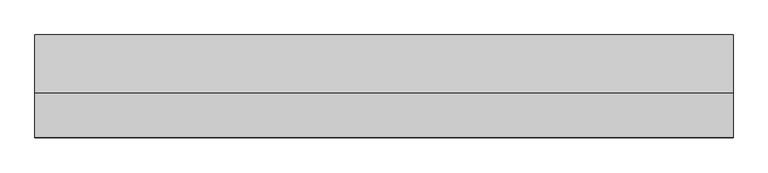
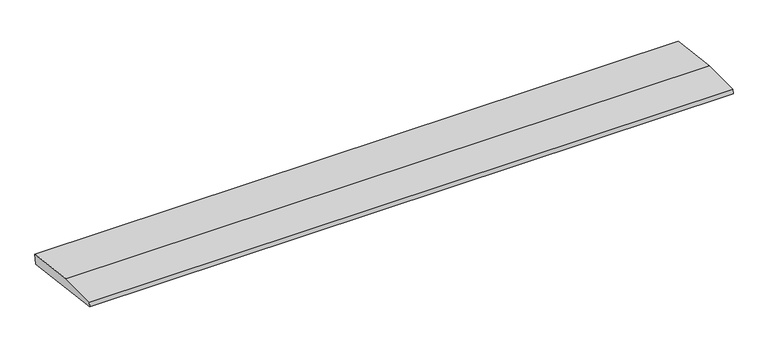
"""IFC4 building model written with IfcOpenShell, lengths in millimetres: beam geometry."""

import ifcopenshell
import ifcopenshell.guid

model = None  # the IFC model being written
_history = None  # IfcOwnerHistory: only IFC2X3 demands one
_inside = {}  # id of a spatial element -> (the spatial element, [elements in it])
_under = {}  # id of a project, library or spatial element -> (it, [spatial elements below it])
_declared = {}  # id of a project -> (the project, [libraries it declares])
_typed = {}  # id of a type object -> (the type object, [elements of that type])
_made_of = {}  # id of a material, layer set ... -> (it, [elements and type objects made of it])


def new_model(schema):
    """Start an empty IFC model of exactly this schema.

    Asked for "IFC4X3", IfcOpenShell would pick the latest addendum, in which some entities
    have other attributes; the version numbers below select the first issue.
    IFC2X3 requires an IfcOwnerHistory on every rooted entity: one is made here for all.
    """
    global model, _history
    if schema == "IFC4X3":
        model = ifcopenshell.file(schema_version=(4, 3, 0, 0))
    else:
        model = ifcopenshell.file(schema=schema)
    _inside.clear()
    _under.clear()
    _declared.clear()
    _typed.clear()
    _made_of.clear()
    _history = None
    if model.schema == "IFC2X3":
        org = make("IfcOrganization", Name="unknown")
        user = make(
            "IfcPersonAndOrganization",
            ThePerson=make("IfcPerson", FamilyName="unknown"),
            TheOrganization=org,
        )
        app = make(
            "IfcApplication",
            ApplicationDeveloper=org,
            Version="unknown",
            ApplicationFullName="unknown",
            ApplicationIdentifier="unknown",
        )
        _history = make(
            "IfcOwnerHistory",
            OwningUser=user,
            OwningApplication=app,
            ChangeAction="ADDED",
            CreationDate=0,
        )
    return model


def make(cls, **values):
    """One entity of the class cls with the attributes given. An attribute that is None is left unset."""
    return model.create_entity(
        cls, **{name: value for name, value in values.items() if value is not None}
    )


def rooted(cls, **values):
    """An entity with a GlobalId (a new one), such as an element, a storey or a relation."""
    return make(cls, GlobalId=ifcopenshell.guid.new(), OwnerHistory=_history, **values)


def si_unit(unit_type, name, prefix=None):
    """IfcSIUnit, for example si_unit("LENGTHUNIT", "METRE", prefix="MILLI")."""
    return make("IfcSIUnit", UnitType=unit_type, Prefix=prefix, Name=name)


def assignment(units):
    """IfcUnitAssignment: the units of a project."""
    return None if units is None else make("IfcUnitAssignment", Units=units)


def point(xyz):
    """IfcCartesianPoint."""
    return None if xyz is None else make("IfcCartesianPoint", Coordinates=xyz)


def direction(xyz):
    """IfcDirection."""
    return None if xyz is None else make("IfcDirection", DirectionRatios=xyz)


def frame(location, z_axis=None, x_axis=None):
    """IfcAxis2Placement3D, a coordinate frame: its origin and axes. An axis left out is left unset."""
    return make(
        "IfcAxis2Placement3D",
        Location=point(location),
        Axis=direction(z_axis),
        RefDirection=direction(x_axis),
    )


def origin():
    """The frame at (0, 0, 0) with its axes left unset."""
    return frame((0.0, 0.0, 0.0))


def place(relative_to, where):
    """IfcLocalPlacement: puts the frame where relative to a parent placement (None: the world)."""
    return make(
        "IfcLocalPlacement", PlacementRelTo=relative_to, RelativePlacement=where
    )


def context(
    kind, dimensions, precision=None, world=None, true_north=None, identifier=None
):
    """IfcGeometricRepresentationContext, for example the 3D "Model" context."""
    return make(
        "IfcGeometricRepresentationContext",
        ContextIdentifier=identifier,
        ContextType=kind,
        CoordinateSpaceDimension=dimensions,
        Precision=precision,
        WorldCoordinateSystem=world,
        TrueNorth=true_north,
    )


def project(units=None, contexts=None):
    """IfcProject with its units and contexts."""
    return rooted(
        "IfcProject",
        Name="project",
        RepresentationContexts=contexts,
        UnitsInContext=assignment(units),
    )


def spatial(cls, under=None, at=None, **own):
    """A site, building, storey or space (cls), placed at a placement, below another one or the project."""
    s = rooted(cls, ObjectPlacement=at, **own)
    if under is not None:
        _under.setdefault(under.id(), (under, []))[1].append(s)
    return s


def polyline(points):
    """IfcPolyline through the points."""
    return make("IfcPolyline", Points=[point(p) for p in points])


def outline(outer, holes=None, kind="AREA"):
    """IfcArbitraryClosedProfileDef: a profile drawn as a closed curve; with holes, ...WithVoids."""
    if holes is None:
        return make("IfcArbitraryClosedProfileDef", ProfileType=kind, OuterCurve=outer)
    return make(
        "IfcArbitraryProfileDefWithVoids",
        ProfileType=kind,
        OuterCurve=outer,
        InnerCurves=holes,
    )


def extrude(swept, where, along, depth):
    """IfcExtrudedAreaSolid: the profile swept, set in the frame where, extruded along a direction by depth."""
    return make(
        "IfcExtrudedAreaSolid",
        SweptArea=swept,
        Position=where,
        ExtrudedDirection=direction(along),
        Depth=depth,
    )


def shape(context_of_items, identifier, shape_type, items):
    """IfcShapeRepresentation: the items that make up one representation, for example the "Body"."""
    return make(
        "IfcShapeRepresentation",
        ContextOfItems=context_of_items,
        RepresentationIdentifier=identifier,
        RepresentationType=shape_type,
        Items=items,
    )


def source(mapping_origin, context_of_items, identifier, shape_type, items):
    """IfcRepresentationMap: a shape defined once, which mapped items show again and again."""
    return make(
        "IfcRepresentationMap",
        MappingOrigin=mapping_origin,
        MappedRepresentation=shape(context_of_items, identifier, shape_type, items),
    )


def transform(
    local_origin,
    x_axis=None,
    y_axis=None,
    z_axis=None,
    scale=None,
    scale2=None,
    scale3=None,
    uniform=True,
):
    """IfcCartesianTransformationOperator3D, or its non-uniform kind. x_axis, y_axis, z_axis: its Axis1, 2, 3."""
    if uniform:
        return make(
            "IfcCartesianTransformationOperator3D",
            Axis1=direction(x_axis),
            Axis2=direction(y_axis),
            LocalOrigin=point(local_origin),
            Scale=scale,
            Axis3=direction(z_axis),
        )
    return make(
        "IfcCartesianTransformationOperator3DnonUniform",
        Axis1=direction(x_axis),
        Axis2=direction(y_axis),
        LocalOrigin=point(local_origin),
        Scale=scale,
        Axis3=direction(z_axis),
        Scale2=scale2,
        Scale3=scale3,
    )


def mapped(mapping_source, mapping_target):
    """IfcMappedItem: shows the shape of a source again, moved by a transform."""
    return make(
        "IfcMappedItem", MappingSource=mapping_source, MappingTarget=mapping_target
    )


def made_of(thing, what):
    """Note that an element or type object is made of a material, layer set ...; save() writes the relation."""
    if what is not None:
        _made_of.setdefault(what.id(), (what, []))[1].append(thing)
    return thing


def element(
    cls,
    number,
    at=None,
    inside=None,
    cuts=None,
    type_object=None,
    material=None,
    context=None,
    identifier="Body",
    shape_type=None,
    held_by="IfcProductDefinitionShape",
    body=None,
    shapes=None,
    **own,
):
    """One element of the class cls, such as IfcWall. Its Tag is "e" and its number.

    at: its placement. inside: the storey or other place that contains it. cuts: it is an
    opening in that element (IfcRelVoidsElement). A single representation is given by context,
    identifier, shape_type and body (its items); several are given by shapes. held_by: the class
    of the entity that holds the representations. save() writes the other relations.
    """
    e = rooted(cls, Tag="e%d" % number, ObjectPlacement=at, **own)
    if body is not None:
        shapes = [shape(context, identifier, shape_type, body)]
    if shapes is not None:
        e.Representation = make(held_by, Representations=shapes)
    if inside is not None:
        _inside.setdefault(inside.id(), (inside, []))[1].append(e)
    if cuts is not None:
        rooted(
            "IfcRelVoidsElement", RelatingBuildingElement=cuts, RelatedOpeningElement=e
        )
    if type_object is not None:
        _typed.setdefault(type_object.id(), (type_object, []))[1].append(e)
    return made_of(e, material)


def aggregate(whole, parts):
    """IfcRelAggregates: a whole, such as a stair, and the parts it consists of."""
    return rooted("IfcRelAggregates", RelatingObject=whole, RelatedObjects=parts)


def save(model, path):
    """Write the relations noted so far, then the file.

    IfcRelAggregates (storeys below a building ...), IfcRelContainedInSpatialStructure (elements
    in a storey), IfcRelDefinesByType, IfcRelAssociatesMaterial and IfcRelDeclares: one each for
    every whole, place, type object, material and project.
    """
    for whole, parts in _under.values():
        aggregate(whole, parts)
    for where, things in _inside.values():
        rooted(
            "IfcRelContainedInSpatialStructure",
            RelatedElements=things,
            RelatingStructure=where,
        )
    for kind, things in _typed.values():
        rooted("IfcRelDefinesByType", RelatedObjects=things, RelatingType=kind)
    for what, things in _made_of.values():
        rooted("IfcRelAssociatesMaterial", RelatedObjects=things, RelatingMaterial=what)
    for by, libraries in _declared.values():
        rooted("IfcRelDeclares", RelatingContext=by, RelatedDefinitions=libraries)
    model.write(path)


def beam_6d1ce91c(model_context):
    return source(origin(), model_context, "Body", "SweptSolid", [
        extrude(outline(polyline([(0.0, -9.143159), (1.1226388, 0.0), (79.0749747, 0.0), (180.9387048, -12.5072934), (178.6231873, -31.3656703), (0.0, -9.143159)])), frame((-613.2751795, 0.0, 0.0), z_axis=(1.0, 0.0, 0.0), x_axis=(0.0, 1.0, 0.0)), (0.0, 0.0, 1.0), 1226.550359),
    ])


if __name__ == "__main__":
    model = new_model("IFC4")
    model_context = context("Model", 3, world=origin())
    ifc_project = project(units=[si_unit("LENGTHUNIT", "METRE", prefix="MILLI")], contexts=[model_context])
    site = spatial("IfcSite", under=ifc_project)
    building = spatial("IfcBuilding", under=site)
    placement = place(None, origin())
    beam_shape = beam_6d1ce91c(model_context)
    element("IfcBeam", 1, at=placement, inside=building, context=model_context, shape_type="MappedRepresentation", body=[
        mapped(beam_shape, transform((0.0, 0.0, 0.0), x_axis=(1.0, 0.0, 0.0), y_axis=(0.0, 1.0, 0.0), z_axis=(0.0, 0.0, 1.0))),
    ])
    save(model, "model.ifc")
